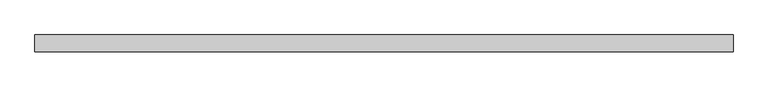
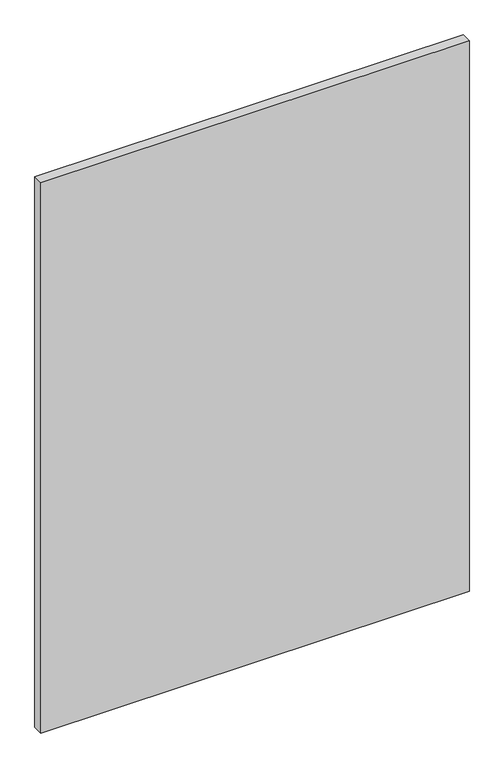
"""IFC4 building model written with IfcOpenShell, lengths in millimetres: plate geometry."""

from ifc_helpers import new_model, si_unit, origin, origin_with_axes, place, context, project, spatial, polyline, outline, extrude, source, transform, mapped, element, save


def plate_f4dba16c(model_context):
    return source(origin(), model_context, "Body", "SweptSolid", [
        extrude(outline(polyline([(525.0, -12.5), (-525.0, -12.5), (-525.0, 12.5), (525.0, 12.5), (525.0, -12.5)])), origin_with_axes(), (0.0, 0.0, 1.0), 1425.0),
    ])


if __name__ == "__main__":
    model = new_model("IFC4")
    model_context = context("Model", 3, world=origin())
    ifc_project = project(units=[si_unit("LENGTHUNIT", "METRE", prefix="MILLI")], contexts=[model_context])
    site = spatial("IfcSite", under=ifc_project)
    building = spatial("IfcBuilding", under=site)
    placement = place(None, origin())
    plate_shape = plate_f4dba16c(model_context)
    element("IfcPlate", 1, at=placement, inside=building, context=model_context, shape_type="MappedRepresentation", body=[
        mapped(plate_shape, transform((0.0, 0.0, 0.0), x_axis=(1.0, 0.0, 0.0), y_axis=(0.0, 1.0, 0.0), z_axis=(0.0, 0.0, 1.0))),
    ])
    save(model, "model.ifc")
